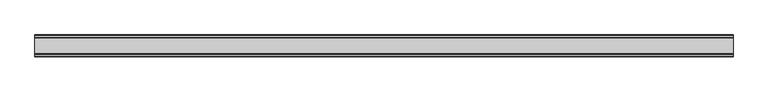
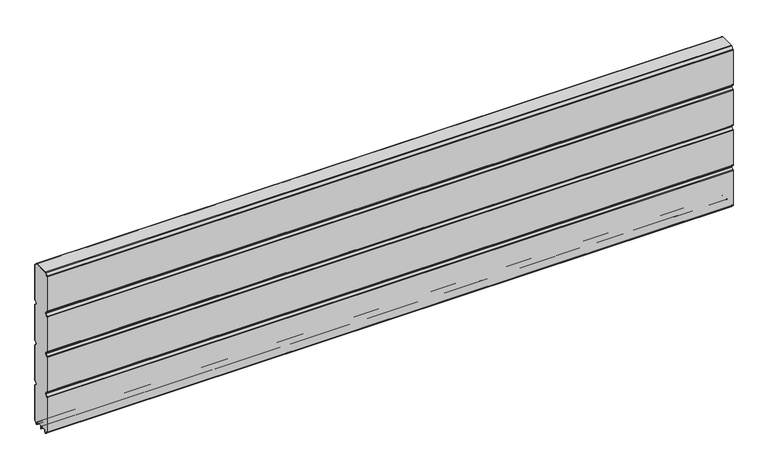
"""IFC4 building model written with IfcOpenShell, lengths in millimetres: plate geometry."""

from ifc_helpers import new_model, si_unit, point, frame, frame_2d, origin, place, context, project, spatial, polyline, circle_curve, trimmed, segment, composite_curve, outline, extrude, source, transform, mapped, element, save


def plate_157f416d(model_context):
    return source(origin(), model_context, "Body", "SweptSolid", [
        extrude(outline(composite_curve([segment(polyline([(-29.2650466, 451.7624879), (-35.7138292, 458.2112702)]), True, "CONTINUOUS"), segment(trimmed(circle_curve(frame_2d((-34.2991913, 459.6259081)), 2.0006001), [point((-35.7138292, 458.2112702))], [point((-36.2997914, 459.6259081))], False, "CARTESIAN"), True, "CONTINUOUS"), segment(polyline([(-36.2997914, 459.6259081), (-36.2997914, 588.874925)]), True, "CONTINUOUS"), segment(trimmed(circle_curve(frame_2d((-34.3025404, 588.8763112)), 1.9972515), [point((-36.2997914, 588.874925))], [point((-35.7145328, 590.2888589))], False, "CARTESIAN"), True, "CONTINUOUS"), segment(polyline([(-35.7145328, 590.2888589), (-27.7860861, 598.2141893)]), True, "CONTINUOUS"), segment(trimmed(circle_curve(frame_2d((-26.3717262, 596.7992733)), 2.0006002), [point((-27.7860861, 598.2141893))], [point((-26.3717262, 598.7998734))], False, "CARTESIAN"), True, "CONTINUOUS"), segment(polyline([(-26.3717262, 598.7998734), (26.3717262, 598.7998734)]), True, "CONTINUOUS"), segment(trimmed(circle_curve(frame_2d((26.3717262, 596.7992733)), 2.0006002), [point((26.3717262, 598.7998734))], [point((27.7860861, 598.2141893))], False, "CARTESIAN"), True, "CONTINUOUS"), segment(polyline([(27.7860861, 598.2141893), (35.7145328, 590.2888589)]), True, "CONTINUOUS"), segment(trimmed(circle_curve(frame_2d((34.3025404, 588.8763112)), 1.9972515), [point((35.7145328, 590.2888589))], [point((36.2997914, 588.874925))], False, "CARTESIAN"), True, "CONTINUOUS"), segment(polyline([(36.2997914, 588.874925), (36.2997914, 459.6259081)]), True, "CONTINUOUS"), segment(trimmed(circle_curve(frame_2d((34.2991913, 459.6259081)), 2.0006001), [point((36.2997914, 459.6259081))], [point((35.7138292, 458.2112702))], False, "CARTESIAN"), True, "CONTINUOUS"), segment(polyline([(35.7138292, 458.2112702), (29.2650466, 451.7624879)]), True, "CONTINUOUS"), segment(trimmed(circle_curve(frame_2d((31.5325895, 449.4949449)), 3.20679), [point((29.2650466, 451.7624879))], [point((29.114664, 447.3884934))], True, "CARTESIAN"), True, "CONTINUOUS"), segment(polyline([(29.114664, 447.3884934), (35.7138291, 440.7893285)]), True, "CONTINUOUS"), segment(trimmed(circle_curve(frame_2d((34.2991912, 439.3746906)), 2.0006001), [point((35.7138291, 440.7893285))], [point((36.2997913, 439.3746906))], False, "CARTESIAN"), True, "CONTINUOUS"), segment(polyline([(36.2997913, 439.3746906), (36.2997913, 309.6259081)]), True, "CONTINUOUS"), segment(trimmed(circle_curve(frame_2d((34.2991912, 309.6259081)), 2.0006001), [point((36.2997913, 309.6259081))], [point((35.7138291, 308.2112702))], False, "CARTESIAN"), True, "CONTINUOUS"), segment(polyline([(35.7138291, 308.2112702), (29.2650466, 301.7624879)]), True, "CONTINUOUS"), segment(trimmed(circle_curve(frame_2d((31.5325895, 299.4949449)), 3.20679), [point((29.2650466, 301.7624879))], [point((29.4261379, 297.0770195))], True, "CARTESIAN"), True, "CONTINUOUS"), segment(polyline([(29.4261379, 297.0770195), (35.7138291, 290.7893285)]), True, "CONTINUOUS"), segment(trimmed(circle_curve(frame_2d((34.2991912, 289.3746906)), 2.0006001), [point((35.7138291, 290.7893285))], [point((36.2997913, 289.3746906))], False, "CARTESIAN"), True, "CONTINUOUS"), segment(polyline([(36.2997913, 289.3746906), (36.2997913, 159.6246474)]), True, "CONTINUOUS"), segment(trimmed(circle_curve(frame_2d((34.2991912, 159.6246474)), 2.0006001), [point((36.2997913, 159.6246474))], [point((35.7138291, 158.2100095))], False, "CARTESIAN"), True, "CONTINUOUS"), segment(polyline([(35.7138291, 158.2100095), (29.2650466, 151.7612271)]), True, "CONTINUOUS"), segment(trimmed(circle_curve(frame_2d((31.5325895, 149.4936842)), 3.20679), [point((29.2650466, 151.7612271))], [point((29.114664, 147.3872326))], True, "CARTESIAN"), True, "CONTINUOUS"), segment(polyline([(29.114664, 147.3872326), (35.7138292, 140.7880678)]), True, "CONTINUOUS"), segment(trimmed(circle_curve(frame_2d((34.2991912, 139.3734299)), 2.0006001), [point((35.7138292, 140.7880678))], [point((36.2997914, 139.3734299))], False, "CARTESIAN"), True, "CONTINUOUS"), segment(polyline([(36.2997914, 139.3734299), (36.2997914, 10.1250796)]), True, "CONTINUOUS"), segment(trimmed(circle_curve(frame_2d((34.299192, 10.1250796)), 2.0005994), [point((36.2997914, 10.1250796))], [point((35.7138294, 8.7104422))], False, "CARTESIAN"), True, "CONTINUOUS"), segment(polyline([(35.7138294, 8.7104422), (28.7893255, 1.7859383)]), True, "CONTINUOUS"), segment(trimmed(circle_curve(frame_2d((27.3158157, 3.2594482)), 2.0838576), [point((28.7893255, 1.7859383))], [point((25.2327947, 3.2004014))], False, "CARTESIAN"), True, "CONTINUOUS"), segment(polyline([(25.2327947, 3.2004014), (25.2327947, 7.9999453)]), True, "CONTINUOUS"), segment(trimmed(circle_curve(frame_2d((22.0323933, 7.9999453)), 3.2004014), [point((25.2327947, 7.9999453))], [point((22.0323933, 11.2003467))], True, "CARTESIAN"), True, "CONTINUOUS"), segment(polyline([(22.0323933, 11.2003467), (3.1993432, 11.2003467)]), True, "CONTINUOUS"), segment(trimmed(circle_curve(frame_2d((3.1993432, 8.0010035)), 3.1993432), [point((3.1993432, 11.2003467))], [point((0.0, 8.0010035))], True, "CARTESIAN"), True, "CONTINUOUS"), segment(trimmed(circle_curve(frame_2d((-3.1993432, 8.0010035)), 3.1993432), [point((0.0, 8.0010035))], [point((-3.1993432, 11.2003467))], True, "CARTESIAN"), True, "CONTINUOUS"), segment(polyline([(-3.1993432, 11.2003467), (-22.0323933, 11.2003467)]), True, "CONTINUOUS"), segment(trimmed(circle_curve(frame_2d((-22.0323933, 7.9999453)), 3.2004014), [point((-22.0323933, 11.2003467))], [point((-25.2327947, 7.9999453))], True, "CARTESIAN"), True, "CONTINUOUS"), segment(polyline([(-25.2327947, 7.9999453), (-25.2327947, 3.2004014)]), True, "CONTINUOUS"), segment(trimmed(circle_curve(frame_2d((-27.3158157, 3.2594482)), 2.0838576), [point((-25.2327947, 3.2004014))], [point((-28.7893255, 1.7859383))], False, "CARTESIAN"), True, "CONTINUOUS"), segment(polyline([(-28.7893255, 1.7859383), (-35.7138294, 8.7104422)]), True, "CONTINUOUS"), segment(trimmed(circle_curve(frame_2d((-34.299192, 10.1250796)), 2.0005994), [point((-35.7138294, 8.7104422))], [point((-36.2997914, 10.1250796))], False, "CARTESIAN"), True, "CONTINUOUS"), segment(polyline([(-36.2997914, 10.1250796), (-36.2997914, 139.3734299)]), True, "CONTINUOUS"), segment(trimmed(circle_curve(frame_2d((-34.2991912, 139.3734299)), 2.0006001), [point((-36.2997914, 139.3734299))], [point((-35.7138292, 140.7880678))], False, "CARTESIAN"), True, "CONTINUOUS"), segment(polyline([(-35.7138292, 140.7880678), (-29.114664, 147.3872326)]), True, "CONTINUOUS"), segment(trimmed(circle_curve(frame_2d((-31.5325895, 149.4936842)), 3.20679), [point((-29.114664, 147.3872326))], [point((-29.2650466, 151.7612271))], True, "CARTESIAN"), True, "CONTINUOUS"), segment(polyline([(-29.2650466, 151.7612271), (-35.7138291, 158.2100095)]), True, "CONTINUOUS"), segment(trimmed(circle_curve(frame_2d((-34.2991912, 159.6246474)), 2.0006001), [point((-35.7138291, 158.2100095))], [point((-36.2997913, 159.6246474))], False, "CARTESIAN"), True, "CONTINUOUS"), segment(polyline([(-36.2997913, 159.6246474), (-36.2997913, 289.3746906)]), True, "CONTINUOUS"), segment(trimmed(circle_curve(frame_2d((-34.2991912, 289.3746906)), 2.0006001), [point((-36.2997913, 289.3746906))], [point((-35.7138291, 290.7893285))], False, "CARTESIAN"), True, "CONTINUOUS"), segment(polyline([(-35.7138291, 290.7893285), (-29.4261379, 297.0770195)]), True, "CONTINUOUS"), segment(trimmed(circle_curve(frame_2d((-31.5325895, 299.4949449)), 3.20679), [point((-29.4261379, 297.0770195))], [point((-29.2650466, 301.7624879))], True, "CARTESIAN"), True, "CONTINUOUS"), segment(polyline([(-29.2650466, 301.7624879), (-35.7138291, 308.2112702)]), True, "CONTINUOUS"), segment(trimmed(circle_curve(frame_2d((-34.2991912, 309.6259081)), 2.0006001), [point((-35.7138291, 308.2112702))], [point((-36.2997913, 309.6259081))], False, "CARTESIAN"), True, "CONTINUOUS"), segment(polyline([(-36.2997913, 309.6259081), (-36.2997913, 439.3746906)]), True, "CONTINUOUS"), segment(trimmed(circle_curve(frame_2d((-34.2991912, 439.3746906)), 2.0006001), [point((-36.2997913, 439.3746906))], [point((-35.7138291, 440.7893285))], False, "CARTESIAN"), True, "CONTINUOUS"), segment(polyline([(-35.7138291, 440.7893285), (-29.114664, 447.3884934)]), True, "CONTINUOUS"), segment(trimmed(circle_curve(frame_2d((-31.5325895, 449.4949449)), 3.20679), [point((-29.114664, 447.3884934))], [point((-29.2650466, 451.7624879))], True, "CARTESIAN"), True, "CONTINUOUS")], self_intersect=False)), frame((-1208.538987, 0.0, 0.0), z_axis=(1.0, 0.0, 0.0), x_axis=(0.0, 1.0, 0.0)), (0.0, 0.0, 1.0), 2417.0779741),
        extrude(outline(composite_curve([segment(trimmed(circle_curve(frame_2d((-34.299418, 588.8742584)), 3.200524), [point((-37.499942, 588.8742584))], [point((-36.5622582, 591.1376426))], False, "CARTESIAN"), True, "CONTINUOUS"), segment(polyline([(-36.5622582, 591.1376426), (-28.6355395, 599.0624563)]), True, "CONTINUOUS"), segment(trimmed(circle_curve(frame_2d((-26.3720296, 596.7984023)), 3.2014711), [point((-28.6355395, 599.0624563))], [point((-26.3720296, 599.9998734))], False, "CARTESIAN"), True, "CONTINUOUS"), segment(polyline([(-26.3720296, 599.9998734), (26.3720296, 599.9998734)]), True, "CONTINUOUS"), segment(trimmed(circle_curve(frame_2d((26.3720296, 596.7984023)), 3.2014711), [point((26.3720296, 599.9998734))], [point((28.6355395, 599.0624563))], False, "CARTESIAN"), True, "CONTINUOUS"), segment(polyline([(28.6355395, 599.0624563), (36.5622582, 591.1376426)]), True, "CONTINUOUS"), segment(trimmed(circle_curve(frame_2d((34.299418, 588.8742584)), 3.200524), [point((36.5622582, 591.1376426))], [point((37.499942, 588.8742584))], False, "CARTESIAN"), True, "CONTINUOUS"), segment(polyline([(37.499942, 588.8742584), (37.499942, 459.6259081)]), True, "CONTINUOUS"), segment(trimmed(circle_curve(frame_2d((34.3010265, 459.6259081)), 3.1989155), [point((37.499942, 459.6259081))], [point((36.5630013, 457.3639333))], False, "CARTESIAN"), True, "CONTINUOUS"), segment(polyline([(36.5630013, 457.3639333), (30.1138303, 450.9147625)]), True, "CONTINUOUS"), segment(trimmed(circle_curve(frame_2d((31.5282934, 449.5002993)), 2.000353), [point((30.1138303, 450.9147625))], [point((30.1138303, 448.0858362))], True, "CARTESIAN"), True, "CONTINUOUS"), segment(polyline([(30.1138303, 448.0858362), (36.5630013, 441.6366654)]), True, "CONTINUOUS"), segment(trimmed(circle_curve(frame_2d((34.3010265, 439.3746906)), 3.1989154), [point((36.5630013, 441.6366654))], [point((37.4999419, 439.3746906))], False, "CARTESIAN"), True, "CONTINUOUS"), segment(polyline([(37.4999419, 439.3746906), (37.4999419, 309.6259081)]), True, "CONTINUOUS"), segment(trimmed(circle_curve(frame_2d((34.3010265, 309.6259081)), 3.1989154), [point((37.4999419, 309.6259081))], [point((36.5630013, 307.3639333))], False, "CARTESIAN"), True, "CONTINUOUS"), segment(polyline([(36.5630013, 307.3639333), (30.1138303, 300.9147625)]), True, "CONTINUOUS"), segment(trimmed(circle_curve(frame_2d((31.5282934, 299.5002993)), 2.000353), [point((30.1138303, 300.9147625))], [point((30.1138303, 298.0858362))], True, "CARTESIAN"), True, "CONTINUOUS"), segment(polyline([(30.1138303, 298.0858362), (36.5630013, 291.6366654)]), True, "CONTINUOUS"), segment(trimmed(circle_curve(frame_2d((34.3010265, 289.3746906)), 3.1989154), [point((36.5630013, 291.6366654))], [point((37.4999419, 289.3746906))], False, "CARTESIAN"), True, "CONTINUOUS"), segment(polyline([(37.4999419, 289.3746906), (37.4999419, 159.6246474)]), True, "CONTINUOUS"), segment(trimmed(circle_curve(frame_2d((34.3010265, 159.6246474)), 3.1989154), [point((37.4999419, 159.6246474))], [point((36.5630013, 157.3626726))], False, "CARTESIAN"), True, "CONTINUOUS"), segment(polyline([(36.5630013, 157.3626726), (30.1138303, 150.9135018)]), True, "CONTINUOUS"), segment(trimmed(circle_curve(frame_2d((31.5282934, 149.4990386)), 2.000353), [point((30.1138303, 150.9135018))], [point((30.1138303, 148.0845755))], True, "CARTESIAN"), True, "CONTINUOUS"), segment(polyline([(30.1138303, 148.0845755), (36.5630013, 141.6354046)]), True, "CONTINUOUS"), segment(trimmed(circle_curve(frame_2d((34.3010265, 139.3734298)), 3.1989154), [point((36.5630013, 141.6354046))], [point((37.4999419, 139.3734298))], False, "CARTESIAN"), True, "CONTINUOUS"), segment(polyline([(37.4999419, 139.3734298), (37.4999419, 10.1250796)]), True, "CONTINUOUS"), segment(trimmed(circle_curve(frame_2d((34.3010265, 10.1250796)), 3.1989154), [point((37.4999419, 10.1250796))], [point((36.5630004, 7.8631039))], False, "CARTESIAN"), True, "CONTINUOUS"), segment(polyline([(36.5630004, 7.8631039), (29.6332576, 0.9333666)]), True, "CONTINUOUS"), segment(trimmed(circle_curve(frame_2d((27.311397, 3.255229)), 3.283608), [point((29.6332576, 0.9333666))], [point((24.0283217, 3.1960843))], False, "CARTESIAN"), True, "CONTINUOUS"), segment(polyline([(24.0283217, 3.1960843), (24.0326442, 7.9999453)]), True, "CONTINUOUS"), segment(trimmed(circle_curve(frame_2d((22.0341915, 8.0017435)), 1.9984535), [point((24.0326442, 7.9999453))], [point((22.0323933, 10.0001962))], True, "CARTESIAN"), True, "CONTINUOUS"), segment(polyline([(22.0323933, 10.0001962), (3.1993432, 10.0001962)]), True, "CONTINUOUS"), segment(trimmed(circle_curve(frame_2d((3.1993432, 8.0010035)), 1.9991927), [point((3.1993432, 10.0001962))], [point((1.2001505, 8.0010035))], True, "CARTESIAN"), True, "CONTINUOUS"), segment(polyline([(1.2001505, 8.0010035), (1.2001504, 0.0), (0.0, 0.0), (-1.2001504, 0.0), (-1.2001504, 8.0010034)]), True, "CONTINUOUS"), segment(trimmed(circle_curve(frame_2d((-3.1993432, 8.0010035)), 1.9991928), [point((-1.2001504, 8.0010034))], [point((-3.1993432, 10.0001963))], True, "CARTESIAN"), True, "CONTINUOUS"), segment(polyline([(-3.1993432, 10.0001963), (-22.0323933, 10.0001962)]), True, "CONTINUOUS"), segment(trimmed(circle_curve(frame_2d((-22.0341915, 8.0017435)), 1.9984535), [point((-22.0323933, 10.0001962))], [point((-24.0326442, 7.9999453))], True, "CARTESIAN"), True, "CONTINUOUS"), segment(polyline([(-24.0326442, 7.9999453), (-24.0283217, 3.1960843)]), True, "CONTINUOUS"), segment(trimmed(circle_curve(frame_2d((-27.311397, 3.255229)), 3.283608), [point((-24.0283217, 3.1960843))], [point((-29.6332576, 0.9333666))], False, "CARTESIAN"), True, "CONTINUOUS"), segment(polyline([(-29.6332576, 0.9333666), (-36.5630004, 7.8631039)]), True, "CONTINUOUS"), segment(trimmed(circle_curve(frame_2d((-34.3010265, 10.1250796)), 3.1989154), [point((-36.5630004, 7.8631039))], [point((-37.4999419, 10.1250796))], False, "CARTESIAN"), True, "CONTINUOUS"), segment(polyline([(-37.4999419, 10.1250796), (-37.4999419, 139.3734298)]), True, "CONTINUOUS"), segment(trimmed(circle_curve(frame_2d((-34.3010265, 139.3734298)), 3.1989154), [point((-37.4999419, 139.3734298))], [point((-36.5630013, 141.6354046))], False, "CARTESIAN"), True, "CONTINUOUS"), segment(polyline([(-36.5630013, 141.6354046), (-30.1138303, 148.0845755)]), True, "CONTINUOUS"), segment(trimmed(circle_curve(frame_2d((-31.5282934, 149.4990386)), 2.000353), [point((-30.1138303, 148.0845755))], [point((-30.1138303, 150.9135018))], True, "CARTESIAN"), True, "CONTINUOUS"), segment(polyline([(-30.1138303, 150.9135018), (-36.5630013, 157.3626726)]), True, "CONTINUOUS"), segment(trimmed(circle_curve(frame_2d((-34.3010265, 159.6246474)), 3.1989154), [point((-36.5630013, 157.3626726))], [point((-37.4999419, 159.6246474))], False, "CARTESIAN"), True, "CONTINUOUS"), segment(polyline([(-37.4999419, 159.6246474), (-37.4999419, 289.3746906)]), True, "CONTINUOUS"), segment(trimmed(circle_curve(frame_2d((-34.3010265, 289.3746906)), 3.1989154), [point((-37.4999419, 289.3746906))], [point((-36.5630013, 291.6366653))], False, "CARTESIAN"), True, "CONTINUOUS"), segment(polyline([(-36.5630013, 291.6366653), (-30.1138303, 298.0858362)]), True, "CONTINUOUS"), segment(trimmed(circle_curve(frame_2d((-31.5282934, 299.5002993)), 2.000353), [point((-30.1138303, 298.0858362))], [point((-30.1138303, 300.9147625))], True, "CARTESIAN"), True, "CONTINUOUS"), segment(polyline([(-30.1138303, 300.9147625), (-36.5630013, 307.3639333)]), True, "CONTINUOUS"), segment(trimmed(circle_curve(frame_2d((-34.3010265, 309.6259081)), 3.1989154), [point((-36.5630013, 307.3639333))], [point((-37.4999419, 309.6259081))], False, "CARTESIAN"), True, "CONTINUOUS"), segment(polyline([(-37.4999419, 309.6259081), (-37.4999419, 439.3746906)]), True, "CONTINUOUS"), segment(trimmed(circle_curve(frame_2d((-34.3010265, 439.3746906)), 3.1989154), [point((-37.4999419, 439.3746906))], [point((-36.5630013, 441.6366653))], False, "CARTESIAN"), True, "CONTINUOUS"), segment(polyline([(-36.5630013, 441.6366653), (-30.1138303, 448.0858362)]), True, "CONTINUOUS"), segment(trimmed(circle_curve(frame_2d((-31.5282934, 449.5002993)), 2.000353), [point((-30.1138303, 448.0858362))], [point((-30.1138303, 450.9147625))], True, "CARTESIAN"), True, "CONTINUOUS"), segment(polyline([(-30.1138303, 450.9147625), (-36.5630013, 457.3639333)]), True, "CONTINUOUS"), segment(trimmed(circle_curve(frame_2d((-34.3010265, 459.6259081)), 3.1989155), [point((-36.5630013, 457.3639333))], [point((-37.499942, 459.6259081))], False, "CARTESIAN"), True, "CONTINUOUS"), segment(polyline([(-37.499942, 459.6259081), (-37.499942, 588.8742584)]), True, "CONTINUOUS")], self_intersect=False), holes=[composite_curve([segment(trimmed(circle_curve(frame_2d((-31.5325895, 449.4949449)), 3.20679), [point((-29.2650466, 451.7624879))], [point((-29.114664, 447.3884934))], False, "CARTESIAN"), True, "CONTINUOUS"), segment(polyline([(-29.114664, 447.3884934), (-35.7138291, 440.7893285)]), True, "CONTINUOUS"), segment(trimmed(circle_curve(frame_2d((-34.2991912, 439.3746906)), 2.0006001), [point((-35.7138291, 440.7893285))], [point((-36.2997913, 439.3746906))], True, "CARTESIAN"), True, "CONTINUOUS"), segment(polyline([(-36.2997913, 439.3746906), (-36.2997913, 309.6259081)]), True, "CONTINUOUS"), segment(trimmed(circle_curve(frame_2d((-34.2991912, 309.6259081)), 2.0006001), [point((-36.2997913, 309.6259081))], [point((-35.7138291, 308.2112702))], True, "CARTESIAN"), True, "CONTINUOUS"), segment(polyline([(-35.7138291, 308.2112702), (-29.2650466, 301.7624879)]), True, "CONTINUOUS"), segment(trimmed(circle_curve(frame_2d((-31.5325895, 299.4949449)), 3.20679), [point((-29.2650466, 301.7624879))], [point((-29.4261379, 297.0770195))], False, "CARTESIAN"), True, "CONTINUOUS"), segment(polyline([(-29.4261379, 297.0770195), (-35.7138291, 290.7893285)]), True, "CONTINUOUS"), segment(trimmed(circle_curve(frame_2d((-34.2991912, 289.3746906)), 2.0006001), [point((-35.7138291, 290.7893285))], [point((-36.2997913, 289.3746906))], True, "CARTESIAN"), True, "CONTINUOUS"), segment(polyline([(-36.2997913, 289.3746906), (-36.2997913, 159.6246474)]), True, "CONTINUOUS"), segment(trimmed(circle_curve(frame_2d((-34.2991912, 159.6246474)), 2.0006001), [point((-36.2997913, 159.6246474))], [point((-35.7138291, 158.2100095))], True, "CARTESIAN"), True, "CONTINUOUS"), segment(polyline([(-35.7138291, 158.2100095), (-29.2650466, 151.7612271)]), True, "CONTINUOUS"), segment(trimmed(circle_curve(frame_2d((-31.5325895, 149.4936842)), 3.20679), [point((-29.2650466, 151.7612271))], [point((-29.114664, 147.3872326))], False, "CARTESIAN"), True, "CONTINUOUS"), segment(polyline([(-29.114664, 147.3872326), (-35.7138292, 140.7880677)]), True, "CONTINUOUS"), segment(trimmed(circle_curve(frame_2d((-34.2991912, 139.3734298)), 2.0006001), [point((-35.7138292, 140.7880677))], [point((-36.2997914, 139.3734298))], True, "CARTESIAN"), True, "CONTINUOUS"), segment(polyline([(-36.2997914, 139.3734298), (-36.2997914, 10.1250796)]), True, "CONTINUOUS"), segment(trimmed(circle_curve(frame_2d((-34.299192, 10.1250796)), 2.0005994), [point((-36.2997914, 10.1250796))], [point((-35.7138294, 8.7104422))], True, "CARTESIAN"), True, "CONTINUOUS"), segment(polyline([(-35.7138294, 8.7104422), (-28.7893255, 1.7859383)]), True, "CONTINUOUS"), segment(trimmed(circle_curve(frame_2d((-27.3158157, 3.2594482)), 2.0838576), [point((-28.7893255, 1.7859383))], [point((-25.2327947, 3.2004014))], True, "CARTESIAN"), True, "CONTINUOUS"), segment(polyline([(-25.2327947, 3.2004014), (-25.2327947, 7.9999453)]), True, "CONTINUOUS"), segment(trimmed(circle_curve(frame_2d((-22.0323933, 7.9999453)), 3.2004014), [point((-25.2327947, 7.9999453))], [point((-22.0323933, 11.2003467))], False, "CARTESIAN"), True, "CONTINUOUS"), segment(polyline([(-22.0323933, 11.2003467), (-3.1993432, 11.2003467)]), True, "CONTINUOUS"), segment(trimmed(circle_curve(frame_2d((-3.1993432, 8.0010035)), 3.1993432), [point((-3.1993432, 11.2003467))], [point((0.0, 8.0010035))], False, "CARTESIAN"), True, "CONTINUOUS"), segment(trimmed(circle_curve(frame_2d((3.1993432, 8.0010035)), 3.1993432), [point((0.0, 8.0010035))], [point((3.1993432, 11.2003467))], False, "CARTESIAN"), True, "CONTINUOUS"), segment(polyline([(3.1993432, 11.2003467), (22.0323933, 11.2003467)]), True, "CONTINUOUS"), segment(trimmed(circle_curve(frame_2d((22.0323933, 7.9999453)), 3.2004014), [point((22.0323933, 11.2003467))], [point((25.2327947, 7.9999453))], False, "CARTESIAN"), True, "CONTINUOUS"), segment(polyline([(25.2327947, 7.9999453), (25.2327947, 3.2004014)]), True, "CONTINUOUS"), segment(trimmed(circle_curve(frame_2d((27.3158157, 3.2594482)), 2.0838576), [point((25.2327947, 3.2004014))], [point((28.7893255, 1.7859383))], True, "CARTESIAN"), True, "CONTINUOUS"), segment(polyline([(28.7893255, 1.7859383), (35.7138294, 8.7104422)]), True, "CONTINUOUS"), segment(trimmed(circle_curve(frame_2d((34.299192, 10.1250796)), 2.0005994), [point((35.7138294, 8.7104422))], [point((36.2997914, 10.1250796))], True, "CARTESIAN"), True, "CONTINUOUS"), segment(polyline([(36.2997914, 10.1250796), (36.2997914, 139.3734298)]), True, "CONTINUOUS"), segment(trimmed(circle_curve(frame_2d((34.2991912, 139.3734298)), 2.0006001), [point((36.2997914, 139.3734298))], [point((35.7138292, 140.7880678))], True, "CARTESIAN"), True, "CONTINUOUS"), segment(polyline([(35.7138292, 140.7880678), (29.114664, 147.3872326)]), True, "CONTINUOUS"), segment(trimmed(circle_curve(frame_2d((31.5325895, 149.4936842)), 3.20679), [point((29.114664, 147.3872326))], [point((29.2650466, 151.7612271))], False, "CARTESIAN"), True, "CONTINUOUS"), segment(polyline([(29.2650466, 151.7612271), (35.7138291, 158.2100095)]), True, "CONTINUOUS"), segment(trimmed(circle_curve(frame_2d((34.2991912, 159.6246474)), 2.0006001), [point((35.7138291, 158.2100095))], [point((36.2997913, 159.6246474))], True, "CARTESIAN"), True, "CONTINUOUS"), segment(polyline([(36.2997913, 159.6246474), (36.2997913, 289.3746906)]), True, "CONTINUOUS"), segment(trimmed(circle_curve(frame_2d((34.2991912, 289.3746906)), 2.0006001), [point((36.2997913, 289.3746906))], [point((35.7138291, 290.7893285))], True, "CARTESIAN"), True, "CONTINUOUS"), segment(polyline([(35.7138291, 290.7893285), (29.4261379, 297.0770195)]), True, "CONTINUOUS"), segment(trimmed(circle_curve(frame_2d((31.5325895, 299.4949449)), 3.20679), [point((29.4261379, 297.0770195))], [point((29.2650466, 301.7624879))], False, "CARTESIAN"), True, "CONTINUOUS"), segment(polyline([(29.2650466, 301.7624879), (35.7138291, 308.2112702)]), True, "CONTINUOUS"), segment(trimmed(circle_curve(frame_2d((34.2991912, 309.6259081)), 2.0006001), [point((35.7138291, 308.2112702))], [point((36.2997913, 309.6259081))], True, "CARTESIAN"), True, "CONTINUOUS"), segment(polyline([(36.2997913, 309.6259081), (36.2997913, 439.3746906)]), True, "CONTINUOUS"), segment(trimmed(circle_curve(frame_2d((34.2991912, 439.3746906)), 2.0006001), [point((36.2997913, 439.3746906))], [point((35.7138291, 440.7893285))], True, "CARTESIAN"), True, "CONTINUOUS"), segment(polyline([(35.7138291, 440.7893285), (29.114664, 447.3884934)]), True, "CONTINUOUS"), segment(trimmed(circle_curve(frame_2d((31.5325895, 449.4949449)), 3.20679), [point((29.114664, 447.3884934))], [point((29.2650466, 451.7624879))], False, "CARTESIAN"), True, "CONTINUOUS"), segment(polyline([(29.2650466, 451.7624879), (35.7138292, 458.2112702)]), True, "CONTINUOUS"), segment(trimmed(circle_curve(frame_2d((34.2991913, 459.6259081)), 2.0006001), [point((35.7138292, 458.2112702))], [point((36.2997914, 459.6259081))], True, "CARTESIAN"), True, "CONTINUOUS"), segment(polyline([(36.2997914, 459.6259081), (36.2997914, 588.874925)]), True, "CONTINUOUS"), segment(trimmed(circle_curve(frame_2d((34.3025404, 588.8763112)), 1.9972515), [point((36.2997914, 588.874925))], [point((35.7145328, 590.2888589))], True, "CARTESIAN"), True, "CONTINUOUS"), segment(polyline([(35.7145328, 590.2888589), (27.7860861, 598.2141893)]), True, "CONTINUOUS"), segment(trimmed(circle_curve(frame_2d((26.3717262, 596.7992733)), 2.0006002), [point((27.7860861, 598.2141893))], [point((26.3717262, 598.7998734))], True, "CARTESIAN"), True, "CONTINUOUS"), segment(polyline([(26.3717262, 598.7998734), (-26.3717262, 598.7998734)]), True, "CONTINUOUS"), segment(trimmed(circle_curve(frame_2d((-26.3717262, 596.7992733)), 2.0006002), [point((-26.3717262, 598.7998734))], [point((-27.7860861, 598.2141893))], True, "CARTESIAN"), True, "CONTINUOUS"), segment(polyline([(-27.7860861, 598.2141893), (-35.7145328, 590.2888589)]), True, "CONTINUOUS"), segment(trimmed(circle_curve(frame_2d((-34.3025404, 588.8763112)), 1.9972515), [point((-35.7145328, 590.2888589))], [point((-36.2997914, 588.874925))], True, "CARTESIAN"), True, "CONTINUOUS"), segment(polyline([(-36.2997914, 588.874925), (-36.2997914, 459.6259081)]), True, "CONTINUOUS"), segment(trimmed(circle_curve(frame_2d((-34.2991913, 459.6259081)), 2.0006001), [point((-36.2997914, 459.6259081))], [point((-35.7138292, 458.2112702))], True, "CARTESIAN"), True, "CONTINUOUS"), segment(polyline([(-35.7138292, 458.2112702), (-29.2650466, 451.7624879)]), True, "CONTINUOUS")], self_intersect=False)]), frame((-1208.538987, 0.0, 0.0), z_axis=(1.0, 0.0, 0.0), x_axis=(0.0, 1.0, 0.0)), (0.0, 0.0, 1.0), 2417.0779741),
    ])


if __name__ == "__main__":
    model = new_model("IFC4")
    model_context = context("Model", 3, world=origin())
    ifc_project = project(units=[si_unit("LENGTHUNIT", "METRE", prefix="MILLI")], contexts=[model_context])
    site = spatial("IfcSite", under=ifc_project)
    building = spatial("IfcBuilding", under=site)
    placement = place(None, origin())
    plate_shape = plate_157f416d(model_context)
    element("IfcPlate", 1, at=placement, inside=building, context=model_context, shape_type="MappedRepresentation", body=[
        mapped(plate_shape, transform((0.0, 0.0, 0.0), x_axis=(1.0, 0.0, 0.0), y_axis=(0.0, 1.0, 0.0), z_axis=(0.0, 0.0, 1.0))),
    ])
    save(model, "model.ifc")
